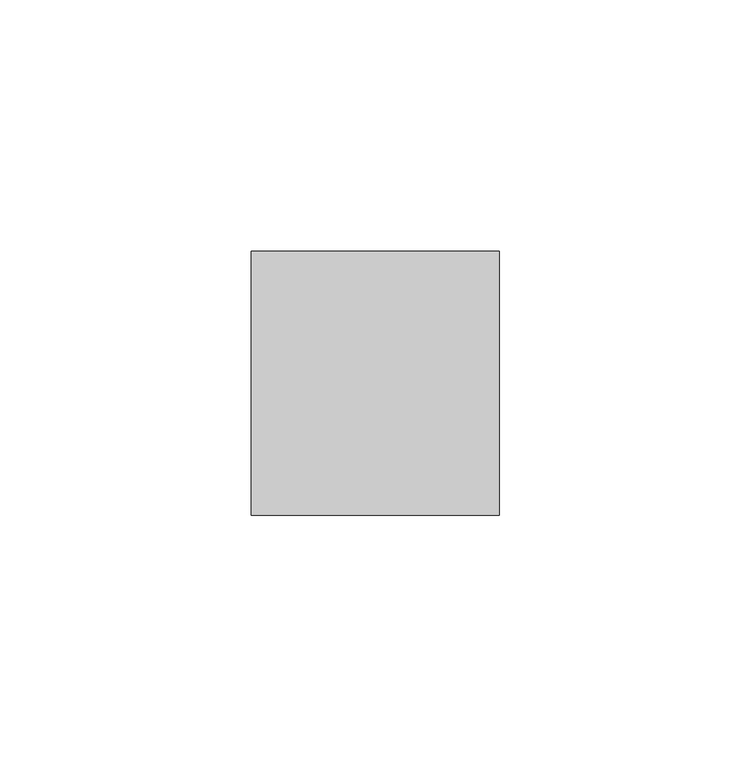
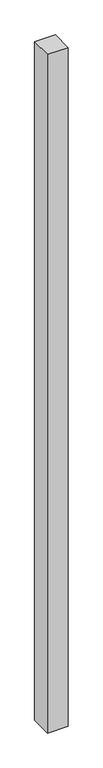
"""IFC4 building model written with IfcOpenShell, lengths in millimetres: plate geometry."""

from ifc_helpers import new_model, si_unit, origin, origin_with_axes, place, context, project, spatial, polyline, outline, extrude, source, transform, mapped, element, save


def plate_23aa3eff(model_context):
    return source(origin(), model_context, "Body", "SweptSolid", [
        extrude(outline(polyline([(24.6340206, -26.19375), (-24.6340206, -26.19375), (-24.6340206, 26.19375), (24.6340206, 26.19375), (24.6340206, -26.19375)])), origin_with_axes(), (0.0, 0.0, 1.0), 1708.8912252),
    ])


if __name__ == "__main__":
    model = new_model("IFC4")
    model_context = context("Model", 3, world=origin())
    ifc_project = project(units=[si_unit("LENGTHUNIT", "METRE", prefix="MILLI")], contexts=[model_context])
    site = spatial("IfcSite", under=ifc_project)
    building = spatial("IfcBuilding", under=site)
    placement = place(None, origin())
    plate_shape = plate_23aa3eff(model_context)
    element("IfcPlate", 1, at=placement, inside=building, context=model_context, shape_type="MappedRepresentation", body=[
        mapped(plate_shape, transform((0.0, 0.0, 0.0), x_axis=(1.0, 0.0, 0.0), y_axis=(0.0, 1.0, 0.0), z_axis=(0.0, 0.0, 1.0))),
    ])
    save(model, "model.ifc")
